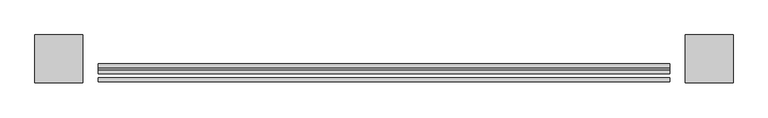
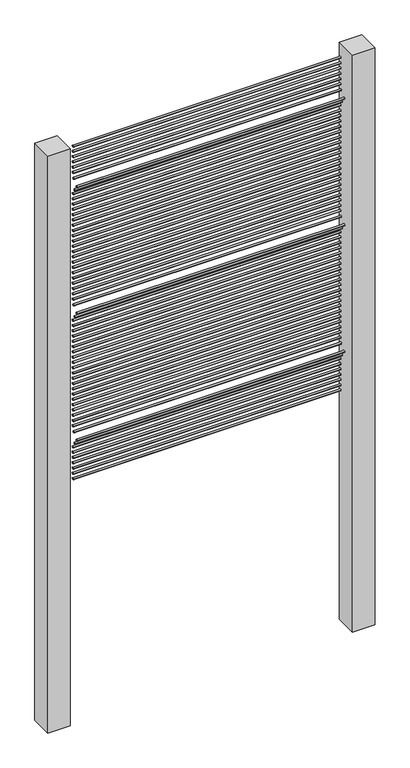
"""IFC4 building model written with IfcOpenShell, lengths in millimetres: railing geometry."""

from ifc_helpers import new_model, si_unit, point, frame, frame_2d, origin, place, context, project, spatial, polyline, circle_curve, trimmed, segment, composite_curve, outline, extrude, source, transform, mapped, element, save


def railing_449c4b00(model_context):
    return source(origin(), model_context, "Body", "SweptSolid", [
        extrude(outline(composite_curve([segment(trimmed(circle_curve(frame_2d((14799.0304142, 28.575)), 3.175), [point((14795.8554142, 28.575))], [point((14802.2054142, 28.575))], False, "CARTESIAN"), True, "CONTINUOUS"), segment(trimmed(circle_curve(frame_2d((14799.0304142, 28.575)), 3.175), [point((14802.2054142, 28.575))], [point((14795.8554142, 28.575))], False, "CARTESIAN"), True, "CONTINUOUS")], self_intersect=False)), frame((-20979.3806958, 0.0, 0.0), z_axis=(1.0, 0.0, 0.0), x_axis=(0.0, 1.0, 0.0)), (0.0, 0.0, 1.0), 914.4),
        extrude(outline(composite_curve([segment(trimmed(circle_curve(frame_2d((14799.0304142, 47.625)), 3.175), [point((14795.8554142, 47.625))], [point((14802.2054142, 47.625))], False, "CARTESIAN"), True, "CONTINUOUS"), segment(trimmed(circle_curve(frame_2d((14799.0304142, 47.625)), 3.175), [point((14802.2054142, 47.625))], [point((14795.8554142, 47.625))], False, "CARTESIAN"), True, "CONTINUOUS")], self_intersect=False)), frame((-20979.3806958, 0.0, 0.0), z_axis=(1.0, 0.0, 0.0), x_axis=(0.0, 1.0, 0.0)), (0.0, 0.0, 1.0), 914.4),
        extrude(outline(composite_curve([segment(trimmed(circle_curve(frame_2d((14799.0304142, 66.675)), 3.175), [point((14795.8554142, 66.675))], [point((14802.2054142, 66.675))], False, "CARTESIAN"), True, "CONTINUOUS"), segment(trimmed(circle_curve(frame_2d((14799.0304142, 66.675)), 3.175), [point((14802.2054142, 66.675))], [point((14795.8554142, 66.675))], False, "CARTESIAN"), True, "CONTINUOUS")], self_intersect=False)), frame((-20979.3806958, 0.0, 0.0), z_axis=(1.0, 0.0, 0.0), x_axis=(0.0, 1.0, 0.0)), (0.0, 0.0, 1.0), 914.4),
        extrude(outline(composite_curve([segment(trimmed(circle_curve(frame_2d((14799.0304142, 85.725)), 3.175), [point((14795.8554142, 85.725))], [point((14802.2054142, 85.725))], False, "CARTESIAN"), True, "CONTINUOUS"), segment(trimmed(circle_curve(frame_2d((14799.0304142, 85.725)), 3.175), [point((14802.2054142, 85.725))], [point((14795.8554142, 85.725))], False, "CARTESIAN"), True, "CONTINUOUS")], self_intersect=False)), frame((-20979.3806958, 0.0, 0.0), z_axis=(1.0, 0.0, 0.0), x_axis=(0.0, 1.0, 0.0)), (0.0, 0.0, 1.0), 914.4),
        extrude(outline(composite_curve([segment(trimmed(circle_curve(frame_2d((14799.0304142, 104.775)), 3.175), [point((14795.8554142, 104.775))], [point((14802.2054142, 104.775))], False, "CARTESIAN"), True, "CONTINUOUS"), segment(trimmed(circle_curve(frame_2d((14799.0304142, 104.775)), 3.175), [point((14802.2054142, 104.775))], [point((14795.8554142, 104.775))], False, "CARTESIAN"), True, "CONTINUOUS")], self_intersect=False)), frame((-20979.3806958, 0.0, 0.0), z_axis=(1.0, 0.0, 0.0), x_axis=(0.0, 1.0, 0.0)), (0.0, 0.0, 1.0), 914.4),
        extrude(outline(composite_curve([segment(trimmed(circle_curve(frame_2d((14799.0304142, 123.825)), 3.175), [point((14795.8554142, 123.825))], [point((14802.2054142, 123.825))], False, "CARTESIAN"), True, "CONTINUOUS"), segment(trimmed(circle_curve(frame_2d((14799.0304142, 123.825)), 3.175), [point((14802.2054142, 123.825))], [point((14795.8554142, 123.825))], False, "CARTESIAN"), True, "CONTINUOUS")], self_intersect=False)), frame((-20979.3806958, 0.0, 0.0), z_axis=(1.0, 0.0, 0.0), x_axis=(0.0, 1.0, 0.0)), (0.0, 0.0, 1.0), 914.4),
        extrude(outline(composite_curve([segment(trimmed(circle_curve(frame_2d((14799.0304142, 142.875)), 3.175), [point((14795.8554142, 142.875))], [point((14802.2054142, 142.875))], False, "CARTESIAN"), True, "CONTINUOUS"), segment(trimmed(circle_curve(frame_2d((14799.0304142, 142.875)), 3.175), [point((14802.2054142, 142.875))], [point((14795.8554142, 142.875))], False, "CARTESIAN"), True, "CONTINUOUS")], self_intersect=False)), frame((-20979.3806958, 0.0, 0.0), z_axis=(1.0, 0.0, 0.0), x_axis=(0.0, 1.0, 0.0)), (0.0, 0.0, 1.0), 914.4),
        extrude(outline(composite_curve([segment(trimmed(circle_curve(frame_2d((14789.3771382, 161.925)), 3.175), [point((14786.2021382, 161.925))], [point((14792.5521382, 161.925))], False, "CARTESIAN"), True, "CONTINUOUS"), segment(trimmed(circle_curve(frame_2d((14789.3771382, 161.925)), 3.175), [point((14792.5521382, 161.925))], [point((14786.2021382, 161.925))], False, "CARTESIAN"), True, "CONTINUOUS")], self_intersect=False)), frame((-20979.3806958, 0.0, 0.0), z_axis=(1.0, 0.0, 0.0), x_axis=(0.0, 1.0, 0.0)), (0.0, 0.0, 1.0), 914.4),
        extrude(outline(composite_curve([segment(trimmed(circle_curve(frame_2d((14776.6771382, 180.975)), 3.175), [point((14773.5021382, 180.975))], [point((14779.8521382, 180.975))], False, "CARTESIAN"), True, "CONTINUOUS"), segment(trimmed(circle_curve(frame_2d((14776.6771382, 180.975)), 3.175), [point((14779.8521382, 180.975))], [point((14773.5021382, 180.975))], False, "CARTESIAN"), True, "CONTINUOUS")], self_intersect=False)), frame((-20979.3806958, 0.0, 0.0), z_axis=(1.0, 0.0, 0.0), x_axis=(0.0, 1.0, 0.0)), (0.0, 0.0, 1.0), 914.4),
        extrude(outline(composite_curve([segment(trimmed(circle_curve(frame_2d((14795.4585392, 200.025)), 3.175), [point((14792.2835392, 200.025))], [point((14798.6335392, 200.025))], False, "CARTESIAN"), True, "CONTINUOUS"), segment(trimmed(circle_curve(frame_2d((14795.4585392, 200.025)), 3.175), [point((14798.6335392, 200.025))], [point((14792.2835392, 200.025))], False, "CARTESIAN"), True, "CONTINUOUS")], self_intersect=False)), frame((-20979.3806958, 0.0, 0.0), z_axis=(1.0, 0.0, 0.0), x_axis=(0.0, 1.0, 0.0)), (0.0, 0.0, 1.0), 914.4),
        extrude(outline(composite_curve([segment(trimmed(circle_curve(frame_2d((14799.0304142, 219.075)), 3.175), [point((14795.8554142, 219.075))], [point((14802.2054142, 219.075))], False, "CARTESIAN"), True, "CONTINUOUS"), segment(trimmed(circle_curve(frame_2d((14799.0304142, 219.075)), 3.175), [point((14802.2054142, 219.075))], [point((14795.8554142, 219.075))], False, "CARTESIAN"), True, "CONTINUOUS")], self_intersect=False)), frame((-20979.3806958, 0.0, 0.0), z_axis=(1.0, 0.0, 0.0), x_axis=(0.0, 1.0, 0.0)), (0.0, 0.0, 1.0), 914.4),
        extrude(outline(composite_curve([segment(trimmed(circle_curve(frame_2d((14799.0304142, 238.125)), 3.175), [point((14795.8554142, 238.125))], [point((14802.2054142, 238.125))], False, "CARTESIAN"), True, "CONTINUOUS"), segment(trimmed(circle_curve(frame_2d((14799.0304142, 238.125)), 3.175), [point((14802.2054142, 238.125))], [point((14795.8554142, 238.125))], False, "CARTESIAN"), True, "CONTINUOUS")], self_intersect=False)), frame((-20979.3806958, 0.0, 0.0), z_axis=(1.0, 0.0, 0.0), x_axis=(0.0, 1.0, 0.0)), (0.0, 0.0, 1.0), 914.4),
        extrude(outline(composite_curve([segment(trimmed(circle_curve(frame_2d((14799.0304142, 257.175)), 3.175), [point((14795.8554142, 257.175))], [point((14802.2054142, 257.175))], False, "CARTESIAN"), True, "CONTINUOUS"), segment(trimmed(circle_curve(frame_2d((14799.0304142, 257.175)), 3.175), [point((14802.2054142, 257.175))], [point((14795.8554142, 257.175))], False, "CARTESIAN"), True, "CONTINUOUS")], self_intersect=False)), frame((-20979.3806958, 0.0, 0.0), z_axis=(1.0, 0.0, 0.0), x_axis=(0.0, 1.0, 0.0)), (0.0, 0.0, 1.0), 914.4),
        extrude(outline(composite_curve([segment(trimmed(circle_curve(frame_2d((14799.0304142, 276.225)), 3.175), [point((14795.8554142, 276.225))], [point((14802.2054142, 276.225))], False, "CARTESIAN"), True, "CONTINUOUS"), segment(trimmed(circle_curve(frame_2d((14799.0304142, 276.225)), 3.175), [point((14802.2054142, 276.225))], [point((14795.8554142, 276.225))], False, "CARTESIAN"), True, "CONTINUOUS")], self_intersect=False)), frame((-20979.3806958, 0.0, 0.0), z_axis=(1.0, 0.0, 0.0), x_axis=(0.0, 1.0, 0.0)), (0.0, 0.0, 1.0), 914.4),
        extrude(outline(composite_curve([segment(trimmed(circle_curve(frame_2d((14799.0304142, 295.275)), 3.175), [point((14795.8554142, 295.275))], [point((14802.2054142, 295.275))], False, "CARTESIAN"), True, "CONTINUOUS"), segment(trimmed(circle_curve(frame_2d((14799.0304142, 295.275)), 3.175), [point((14802.2054142, 295.275))], [point((14795.8554142, 295.275))], False, "CARTESIAN"), True, "CONTINUOUS")], self_intersect=False)), frame((-20979.3806958, 0.0, 0.0), z_axis=(1.0, 0.0, 0.0), x_axis=(0.0, 1.0, 0.0)), (0.0, 0.0, 1.0), 914.4),
        extrude(outline(composite_curve([segment(trimmed(circle_curve(frame_2d((14799.0304142, 314.325)), 3.175), [point((14795.8554142, 314.325))], [point((14802.2054142, 314.325))], False, "CARTESIAN"), True, "CONTINUOUS"), segment(trimmed(circle_curve(frame_2d((14799.0304142, 314.325)), 3.175), [point((14802.2054142, 314.325))], [point((14795.8554142, 314.325))], False, "CARTESIAN"), True, "CONTINUOUS")], self_intersect=False)), frame((-20979.3806958, 0.0, 0.0), z_axis=(1.0, 0.0, 0.0), x_axis=(0.0, 1.0, 0.0)), (0.0, 0.0, 1.0), 914.4),
        extrude(outline(composite_curve([segment(trimmed(circle_curve(frame_2d((14799.0304142, 333.375)), 3.175), [point((14795.8554142, 333.375))], [point((14802.2054142, 333.375))], False, "CARTESIAN"), True, "CONTINUOUS"), segment(trimmed(circle_curve(frame_2d((14799.0304142, 333.375)), 3.175), [point((14802.2054142, 333.375))], [point((14795.8554142, 333.375))], False, "CARTESIAN"), True, "CONTINUOUS")], self_intersect=False)), frame((-20979.3806958, 0.0, 0.0), z_axis=(1.0, 0.0, 0.0), x_axis=(0.0, 1.0, 0.0)), (0.0, 0.0, 1.0), 914.4),
        extrude(outline(composite_curve([segment(trimmed(circle_curve(frame_2d((14799.0304142, 352.425)), 3.175), [point((14795.8554142, 352.425))], [point((14802.2054142, 352.425))], False, "CARTESIAN"), True, "CONTINUOUS"), segment(trimmed(circle_curve(frame_2d((14799.0304142, 352.425)), 3.175), [point((14802.2054142, 352.425))], [point((14795.8554142, 352.425))], False, "CARTESIAN"), True, "CONTINUOUS")], self_intersect=False)), frame((-20979.3806958, 0.0, 0.0), z_axis=(1.0, 0.0, 0.0), x_axis=(0.0, 1.0, 0.0)), (0.0, 0.0, 1.0), 914.4),
        extrude(outline(composite_curve([segment(trimmed(circle_curve(frame_2d((14799.0304142, 371.475)), 3.175), [point((14795.8554142, 371.475))], [point((14802.2054142, 371.475))], False, "CARTESIAN"), True, "CONTINUOUS"), segment(trimmed(circle_curve(frame_2d((14799.0304142, 371.475)), 3.175), [point((14802.2054142, 371.475))], [point((14795.8554142, 371.475))], False, "CARTESIAN"), True, "CONTINUOUS")], self_intersect=False)), frame((-20979.3806958, 0.0, 0.0), z_axis=(1.0, 0.0, 0.0), x_axis=(0.0, 1.0, 0.0)), (0.0, 0.0, 1.0), 914.4),
        extrude(outline(composite_curve([segment(trimmed(circle_curve(frame_2d((14799.0304142, 390.525)), 3.175), [point((14795.8554142, 390.525))], [point((14802.2054142, 390.525))], False, "CARTESIAN"), True, "CONTINUOUS"), segment(trimmed(circle_curve(frame_2d((14799.0304142, 390.525)), 3.175), [point((14802.2054142, 390.525))], [point((14795.8554142, 390.525))], False, "CARTESIAN"), True, "CONTINUOUS")], self_intersect=False)), frame((-20979.3806958, 0.0, 0.0), z_axis=(1.0, 0.0, 0.0), x_axis=(0.0, 1.0, 0.0)), (0.0, 0.0, 1.0), 914.4),
        extrude(outline(composite_curve([segment(trimmed(circle_curve(frame_2d((14799.0304142, 409.575)), 3.175), [point((14795.8554142, 409.575))], [point((14802.2054142, 409.575))], False, "CARTESIAN"), True, "CONTINUOUS"), segment(trimmed(circle_curve(frame_2d((14799.0304142, 409.575)), 3.175), [point((14802.2054142, 409.575))], [point((14795.8554142, 409.575))], False, "CARTESIAN"), True, "CONTINUOUS")], self_intersect=False)), frame((-20979.3806958, 0.0, 0.0), z_axis=(1.0, 0.0, 0.0), x_axis=(0.0, 1.0, 0.0)), (0.0, 0.0, 1.0), 914.4),
        extrude(outline(composite_curve([segment(trimmed(circle_curve(frame_2d((14799.0304142, 428.625)), 3.175), [point((14795.8554142, 428.625))], [point((14802.2054142, 428.625))], False, "CARTESIAN"), True, "CONTINUOUS"), segment(trimmed(circle_curve(frame_2d((14799.0304142, 428.625)), 3.175), [point((14802.2054142, 428.625))], [point((14795.8554142, 428.625))], False, "CARTESIAN"), True, "CONTINUOUS")], self_intersect=False)), frame((-20979.3806958, 0.0, 0.0), z_axis=(1.0, 0.0, 0.0), x_axis=(0.0, 1.0, 0.0)), (0.0, 0.0, 1.0), 914.4),
        extrude(outline(composite_curve([segment(trimmed(circle_curve(frame_2d((14799.0304142, 447.675)), 3.175), [point((14795.8554142, 447.675))], [point((14802.2054142, 447.675))], False, "CARTESIAN"), True, "CONTINUOUS"), segment(trimmed(circle_curve(frame_2d((14799.0304142, 447.675)), 3.175), [point((14802.2054142, 447.675))], [point((14795.8554142, 447.675))], False, "CARTESIAN"), True, "CONTINUOUS")], self_intersect=False)), frame((-20979.3806958, 0.0, 0.0), z_axis=(1.0, 0.0, 0.0), x_axis=(0.0, 1.0, 0.0)), (0.0, 0.0, 1.0), 914.4),
        extrude(outline(composite_curve([segment(trimmed(circle_curve(frame_2d((14799.0304142, 466.725)), 3.175), [point((14795.8554142, 466.725))], [point((14802.2054142, 466.725))], False, "CARTESIAN"), True, "CONTINUOUS"), segment(trimmed(circle_curve(frame_2d((14799.0304142, 466.725)), 3.175), [point((14802.2054142, 466.725))], [point((14795.8554142, 466.725))], False, "CARTESIAN"), True, "CONTINUOUS")], self_intersect=False)), frame((-20979.3806958, 0.0, 0.0), z_axis=(1.0, 0.0, 0.0), x_axis=(0.0, 1.0, 0.0)), (0.0, 0.0, 1.0), 914.4),
        extrude(outline(composite_curve([segment(trimmed(circle_curve(frame_2d((14799.0304142, 485.775)), 3.175), [point((14795.8554142, 485.775))], [point((14802.2054142, 485.775))], False, "CARTESIAN"), True, "CONTINUOUS"), segment(trimmed(circle_curve(frame_2d((14799.0304142, 485.775)), 3.175), [point((14802.2054142, 485.775))], [point((14795.8554142, 485.775))], False, "CARTESIAN"), True, "CONTINUOUS")], self_intersect=False)), frame((-20979.3806958, 0.0, 0.0), z_axis=(1.0, 0.0, 0.0), x_axis=(0.0, 1.0, 0.0)), (0.0, 0.0, 1.0), 914.4),
        extrude(outline(composite_curve([segment(trimmed(circle_curve(frame_2d((14799.0304142, 504.825)), 3.175), [point((14795.8554142, 504.825))], [point((14802.2054142, 504.825))], False, "CARTESIAN"), True, "CONTINUOUS"), segment(trimmed(circle_curve(frame_2d((14799.0304142, 504.825)), 3.175), [point((14802.2054142, 504.825))], [point((14795.8554142, 504.825))], False, "CARTESIAN"), True, "CONTINUOUS")], self_intersect=False)), frame((-20979.3806958, 0.0, 0.0), z_axis=(1.0, 0.0, 0.0), x_axis=(0.0, 1.0, 0.0)), (0.0, 0.0, 1.0), 914.4),
        extrude(outline(composite_curve([segment(trimmed(circle_curve(frame_2d((14799.0304142, 523.875)), 3.175), [point((14795.8554142, 523.875))], [point((14802.2054142, 523.875))], False, "CARTESIAN"), True, "CONTINUOUS"), segment(trimmed(circle_curve(frame_2d((14799.0304142, 523.875)), 3.175), [point((14802.2054142, 523.875))], [point((14795.8554142, 523.875))], False, "CARTESIAN"), True, "CONTINUOUS")], self_intersect=False)), frame((-20979.3806958, 0.0, 0.0), z_axis=(1.0, 0.0, 0.0), x_axis=(0.0, 1.0, 0.0)), (0.0, 0.0, 1.0), 914.4),
        extrude(outline(composite_curve([segment(trimmed(circle_curve(frame_2d((14799.0304142, 542.925)), 3.175), [point((14795.8554142, 542.925))], [point((14802.2054142, 542.925))], False, "CARTESIAN"), True, "CONTINUOUS"), segment(trimmed(circle_curve(frame_2d((14799.0304142, 542.925)), 3.175), [point((14802.2054142, 542.925))], [point((14795.8554142, 542.925))], False, "CARTESIAN"), True, "CONTINUOUS")], self_intersect=False)), frame((-20979.3806958, 0.0, 0.0), z_axis=(1.0, 0.0, 0.0), x_axis=(0.0, 1.0, 0.0)), (0.0, 0.0, 1.0), 914.4),
        extrude(outline(composite_curve([segment(trimmed(circle_curve(frame_2d((14799.0304142, 561.975)), 3.175), [point((14795.8554142, 561.975))], [point((14802.2054142, 561.975))], False, "CARTESIAN"), True, "CONTINUOUS"), segment(trimmed(circle_curve(frame_2d((14799.0304142, 561.975)), 3.175), [point((14802.2054142, 561.975))], [point((14795.8554142, 561.975))], False, "CARTESIAN"), True, "CONTINUOUS")], self_intersect=False)), frame((-20979.3806958, 0.0, 0.0), z_axis=(1.0, 0.0, 0.0), x_axis=(0.0, 1.0, 0.0)), (0.0, 0.0, 1.0), 914.4),
        extrude(outline(composite_curve([segment(trimmed(circle_curve(frame_2d((14799.0304142, 581.025)), 3.175), [point((14795.8554142, 581.025))], [point((14802.2054142, 581.025))], False, "CARTESIAN"), True, "CONTINUOUS"), segment(trimmed(circle_curve(frame_2d((14799.0304142, 581.025)), 3.175), [point((14802.2054142, 581.025))], [point((14795.8554142, 581.025))], False, "CARTESIAN"), True, "CONTINUOUS")], self_intersect=False)), frame((-20979.3806958, 0.0, 0.0), z_axis=(1.0, 0.0, 0.0), x_axis=(0.0, 1.0, 0.0)), (0.0, 0.0, 1.0), 914.4),
        extrude(outline(composite_curve([segment(trimmed(circle_curve(frame_2d((14799.0304142, 600.075)), 3.175), [point((14795.8554142, 600.075))], [point((14802.2054142, 600.075))], False, "CARTESIAN"), True, "CONTINUOUS"), segment(trimmed(circle_curve(frame_2d((14799.0304142, 600.075)), 3.175), [point((14802.2054142, 600.075))], [point((14795.8554142, 600.075))], False, "CARTESIAN"), True, "CONTINUOUS")], self_intersect=False)), frame((-20979.3806958, 0.0, 0.0), z_axis=(1.0, 0.0, 0.0), x_axis=(0.0, 1.0, 0.0)), (0.0, 0.0, 1.0), 914.4),
        extrude(outline(composite_curve([segment(trimmed(circle_curve(frame_2d((14789.5054142, 619.125)), 3.175), [point((14786.3304142, 619.125))], [point((14792.6804142, 619.125))], False, "CARTESIAN"), True, "CONTINUOUS"), segment(trimmed(circle_curve(frame_2d((14789.5054142, 619.125)), 3.175), [point((14792.6804142, 619.125))], [point((14786.3304142, 619.125))], False, "CARTESIAN"), True, "CONTINUOUS")], self_intersect=False)), frame((-20979.3806958, 0.0, 0.0), z_axis=(1.0, 0.0, 0.0), x_axis=(0.0, 1.0, 0.0)), (0.0, 0.0, 1.0), 914.4),
        extrude(outline(composite_curve([segment(trimmed(circle_curve(frame_2d((14776.8054142, 638.175)), 3.175), [point((14773.6304142, 638.175))], [point((14779.9804142, 638.175))], False, "CARTESIAN"), True, "CONTINUOUS"), segment(trimmed(circle_curve(frame_2d((14776.8054142, 638.175)), 3.175), [point((14779.9804142, 638.175))], [point((14773.6304142, 638.175))], False, "CARTESIAN"), True, "CONTINUOUS")], self_intersect=False)), frame((-20979.3806958, 0.0, 0.0), z_axis=(1.0, 0.0, 0.0), x_axis=(0.0, 1.0, 0.0)), (0.0, 0.0, 1.0), 914.4),
        extrude(outline(composite_curve([segment(trimmed(circle_curve(frame_2d((14795.8554142, 657.225)), 3.175), [point((14792.6804142, 657.225))], [point((14799.0304142, 657.225))], False, "CARTESIAN"), True, "CONTINUOUS"), segment(trimmed(circle_curve(frame_2d((14795.8554142, 657.225)), 3.175), [point((14799.0304142, 657.225))], [point((14792.6804142, 657.225))], False, "CARTESIAN"), True, "CONTINUOUS")], self_intersect=False)), frame((-20979.3806958, 0.0, 0.0), z_axis=(1.0, 0.0, 0.0), x_axis=(0.0, 1.0, 0.0)), (0.0, 0.0, 1.0), 914.4),
        extrude(outline(composite_curve([segment(trimmed(circle_curve(frame_2d((14799.0304142, 676.275)), 3.175), [point((14795.8554142, 676.275))], [point((14802.2054142, 676.275))], False, "CARTESIAN"), True, "CONTINUOUS"), segment(trimmed(circle_curve(frame_2d((14799.0304142, 676.275)), 3.175), [point((14802.2054142, 676.275))], [point((14795.8554142, 676.275))], False, "CARTESIAN"), True, "CONTINUOUS")], self_intersect=False)), frame((-20979.3806958, 0.0, 0.0), z_axis=(1.0, 0.0, 0.0), x_axis=(0.0, 1.0, 0.0)), (0.0, 0.0, 1.0), 914.4),
        extrude(outline(composite_curve([segment(trimmed(circle_curve(frame_2d((14799.0304142, 695.325)), 3.175), [point((14795.8554142, 695.325))], [point((14802.2054142, 695.325))], False, "CARTESIAN"), True, "CONTINUOUS"), segment(trimmed(circle_curve(frame_2d((14799.0304142, 695.325)), 3.175), [point((14802.2054142, 695.325))], [point((14795.8554142, 695.325))], False, "CARTESIAN"), True, "CONTINUOUS")], self_intersect=False)), frame((-20979.3806958, 0.0, 0.0), z_axis=(1.0, 0.0, 0.0), x_axis=(0.0, 1.0, 0.0)), (0.0, 0.0, 1.0), 914.4),
        extrude(outline(composite_curve([segment(trimmed(circle_curve(frame_2d((14799.0304142, 714.375)), 3.175), [point((14795.8554142, 714.375))], [point((14802.2054142, 714.375))], False, "CARTESIAN"), True, "CONTINUOUS"), segment(trimmed(circle_curve(frame_2d((14799.0304142, 714.375)), 3.175), [point((14802.2054142, 714.375))], [point((14795.8554142, 714.375))], False, "CARTESIAN"), True, "CONTINUOUS")], self_intersect=False)), frame((-20979.3806958, 0.0, 0.0), z_axis=(1.0, 0.0, 0.0), x_axis=(0.0, 1.0, 0.0)), (0.0, 0.0, 1.0), 914.4),
        extrude(outline(composite_curve([segment(trimmed(circle_curve(frame_2d((14799.0304142, 733.425)), 3.175), [point((14795.8554142, 733.425))], [point((14802.2054142, 733.425))], False, "CARTESIAN"), True, "CONTINUOUS"), segment(trimmed(circle_curve(frame_2d((14799.0304142, 733.425)), 3.175), [point((14802.2054142, 733.425))], [point((14795.8554142, 733.425))], False, "CARTESIAN"), True, "CONTINUOUS")], self_intersect=False)), frame((-20979.3806958, 0.0, 0.0), z_axis=(1.0, 0.0, 0.0), x_axis=(0.0, 1.0, 0.0)), (0.0, 0.0, 1.0), 914.4),
        extrude(outline(composite_curve([segment(trimmed(circle_curve(frame_2d((14799.0304142, 752.475)), 3.175), [point((14795.8554142, 752.475))], [point((14802.2054142, 752.475))], False, "CARTESIAN"), True, "CONTINUOUS"), segment(trimmed(circle_curve(frame_2d((14799.0304142, 752.475)), 3.175), [point((14802.2054142, 752.475))], [point((14795.8554142, 752.475))], False, "CARTESIAN"), True, "CONTINUOUS")], self_intersect=False)), frame((-20979.3806958, 0.0, 0.0), z_axis=(1.0, 0.0, 0.0), x_axis=(0.0, 1.0, 0.0)), (0.0, 0.0, 1.0), 914.4),
        extrude(outline(composite_curve([segment(trimmed(circle_curve(frame_2d((14799.0304142, 771.525)), 3.175), [point((14795.8554142, 771.525))], [point((14802.2054142, 771.525))], False, "CARTESIAN"), True, "CONTINUOUS"), segment(trimmed(circle_curve(frame_2d((14799.0304142, 771.525)), 3.175), [point((14802.2054142, 771.525))], [point((14795.8554142, 771.525))], False, "CARTESIAN"), True, "CONTINUOUS")], self_intersect=False)), frame((-20979.3806958, 0.0, 0.0), z_axis=(1.0, 0.0, 0.0), x_axis=(0.0, 1.0, 0.0)), (0.0, 0.0, 1.0), 914.4),
        extrude(outline(composite_curve([segment(trimmed(circle_curve(frame_2d((14799.0304142, 790.575)), 3.175), [point((14795.8554142, 790.575))], [point((14802.2054142, 790.575))], False, "CARTESIAN"), True, "CONTINUOUS"), segment(trimmed(circle_curve(frame_2d((14799.0304142, 790.575)), 3.175), [point((14802.2054142, 790.575))], [point((14795.8554142, 790.575))], False, "CARTESIAN"), True, "CONTINUOUS")], self_intersect=False)), frame((-20979.3806958, 0.0, 0.0), z_axis=(1.0, 0.0, 0.0), x_axis=(0.0, 1.0, 0.0)), (0.0, 0.0, 1.0), 914.4),
        extrude(outline(composite_curve([segment(trimmed(circle_curve(frame_2d((14799.0304142, 809.625)), 3.175), [point((14795.8554142, 809.625))], [point((14802.2054142, 809.625))], False, "CARTESIAN"), True, "CONTINUOUS"), segment(trimmed(circle_curve(frame_2d((14799.0304142, 809.625)), 3.175), [point((14802.2054142, 809.625))], [point((14795.8554142, 809.625))], False, "CARTESIAN"), True, "CONTINUOUS")], self_intersect=False)), frame((-20979.3806958, 0.0, 0.0), z_axis=(1.0, 0.0, 0.0), x_axis=(0.0, 1.0, 0.0)), (0.0, 0.0, 1.0), 914.4),
        extrude(outline(composite_curve([segment(trimmed(circle_curve(frame_2d((14799.0304142, 828.675)), 3.175), [point((14795.8554142, 828.675))], [point((14802.2054142, 828.675))], False, "CARTESIAN"), True, "CONTINUOUS"), segment(trimmed(circle_curve(frame_2d((14799.0304142, 828.675)), 3.175), [point((14802.2054142, 828.675))], [point((14795.8554142, 828.675))], False, "CARTESIAN"), True, "CONTINUOUS")], self_intersect=False)), frame((-20979.3806958, 0.0, 0.0), z_axis=(1.0, 0.0, 0.0), x_axis=(0.0, 1.0, 0.0)), (0.0, 0.0, 1.0), 914.4),
        extrude(outline(composite_curve([segment(trimmed(circle_curve(frame_2d((14799.0304142, 847.725)), 3.175), [point((14795.8554142, 847.725))], [point((14802.2054142, 847.725))], False, "CARTESIAN"), True, "CONTINUOUS"), segment(trimmed(circle_curve(frame_2d((14799.0304142, 847.725)), 3.175), [point((14802.2054142, 847.725))], [point((14795.8554142, 847.725))], False, "CARTESIAN"), True, "CONTINUOUS")], self_intersect=False)), frame((-20979.3806958, 0.0, 0.0), z_axis=(1.0, 0.0, 0.0), x_axis=(0.0, 1.0, 0.0)), (0.0, 0.0, 1.0), 914.4),
        extrude(outline(composite_curve([segment(trimmed(circle_curve(frame_2d((14799.0304142, 866.775)), 3.175), [point((14795.8554142, 866.775))], [point((14802.2054142, 866.775))], False, "CARTESIAN"), True, "CONTINUOUS"), segment(trimmed(circle_curve(frame_2d((14799.0304142, 866.775)), 3.175), [point((14802.2054142, 866.775))], [point((14795.8554142, 866.775))], False, "CARTESIAN"), True, "CONTINUOUS")], self_intersect=False)), frame((-20979.3806958, 0.0, 0.0), z_axis=(1.0, 0.0, 0.0), x_axis=(0.0, 1.0, 0.0)), (0.0, 0.0, 1.0), 914.4),
        extrude(outline(composite_curve([segment(trimmed(circle_curve(frame_2d((14799.0304142, 885.825)), 3.175), [point((14795.8554142, 885.825))], [point((14802.2054142, 885.825))], False, "CARTESIAN"), True, "CONTINUOUS"), segment(trimmed(circle_curve(frame_2d((14799.0304142, 885.825)), 3.175), [point((14802.2054142, 885.825))], [point((14795.8554142, 885.825))], False, "CARTESIAN"), True, "CONTINUOUS")], self_intersect=False)), frame((-20979.3806958, 0.0, 0.0), z_axis=(1.0, 0.0, 0.0), x_axis=(0.0, 1.0, 0.0)), (0.0, 0.0, 1.0), 914.4),
        extrude(outline(composite_curve([segment(trimmed(circle_curve(frame_2d((14799.0304142, 904.875)), 3.175), [point((14795.8554142, 904.875))], [point((14802.2054142, 904.875))], False, "CARTESIAN"), True, "CONTINUOUS"), segment(trimmed(circle_curve(frame_2d((14799.0304142, 904.875)), 3.175), [point((14802.2054142, 904.875))], [point((14795.8554142, 904.875))], False, "CARTESIAN"), True, "CONTINUOUS")], self_intersect=False)), frame((-20979.3806958, 0.0, 0.0), z_axis=(1.0, 0.0, 0.0), x_axis=(0.0, 1.0, 0.0)), (0.0, 0.0, 1.0), 914.4),
        extrude(outline(composite_curve([segment(trimmed(circle_curve(frame_2d((14799.0304142, 923.925)), 3.175), [point((14795.8554142, 923.925))], [point((14802.2054142, 923.925))], False, "CARTESIAN"), True, "CONTINUOUS"), segment(trimmed(circle_curve(frame_2d((14799.0304142, 923.925)), 3.175), [point((14802.2054142, 923.925))], [point((14795.8554142, 923.925))], False, "CARTESIAN"), True, "CONTINUOUS")], self_intersect=False)), frame((-20979.3806958, 0.0, 0.0), z_axis=(1.0, 0.0, 0.0), x_axis=(0.0, 1.0, 0.0)), (0.0, 0.0, 1.0), 914.4),
        extrude(outline(composite_curve([segment(trimmed(circle_curve(frame_2d((14799.0304142, 942.975)), 3.175), [point((14795.8554142, 942.975))], [point((14802.2054142, 942.975))], False, "CARTESIAN"), True, "CONTINUOUS"), segment(trimmed(circle_curve(frame_2d((14799.0304142, 942.975)), 3.175), [point((14802.2054142, 942.975))], [point((14795.8554142, 942.975))], False, "CARTESIAN"), True, "CONTINUOUS")], self_intersect=False)), frame((-20979.3806958, 0.0, 0.0), z_axis=(1.0, 0.0, 0.0), x_axis=(0.0, 1.0, 0.0)), (0.0, 0.0, 1.0), 914.4),
        extrude(outline(composite_curve([segment(trimmed(circle_curve(frame_2d((14799.0304142, 962.025)), 3.175), [point((14795.8554142, 962.025))], [point((14802.2054142, 962.025))], False, "CARTESIAN"), True, "CONTINUOUS"), segment(trimmed(circle_curve(frame_2d((14799.0304142, 962.025)), 3.175), [point((14802.2054142, 962.025))], [point((14795.8554142, 962.025))], False, "CARTESIAN"), True, "CONTINUOUS")], self_intersect=False)), frame((-20979.3806958, 0.0, 0.0), z_axis=(1.0, 0.0, 0.0), x_axis=(0.0, 1.0, 0.0)), (0.0, 0.0, 1.0), 914.4),
        extrude(outline(composite_curve([segment(trimmed(circle_curve(frame_2d((14799.0304142, 981.075)), 3.175), [point((14795.8554142, 981.075))], [point((14802.2054142, 981.075))], False, "CARTESIAN"), True, "CONTINUOUS"), segment(trimmed(circle_curve(frame_2d((14799.0304142, 981.075)), 3.175), [point((14802.2054142, 981.075))], [point((14795.8554142, 981.075))], False, "CARTESIAN"), True, "CONTINUOUS")], self_intersect=False)), frame((-20979.3806958, 0.0, 0.0), z_axis=(1.0, 0.0, 0.0), x_axis=(0.0, 1.0, 0.0)), (0.0, 0.0, 1.0), 914.4),
        extrude(outline(composite_curve([segment(trimmed(circle_curve(frame_2d((14799.0304142, 1000.125)), 3.175), [point((14795.8554142, 1000.125))], [point((14802.2054142, 1000.125))], False, "CARTESIAN"), True, "CONTINUOUS"), segment(trimmed(circle_curve(frame_2d((14799.0304142, 1000.125)), 3.175), [point((14802.2054142, 1000.125))], [point((14795.8554142, 1000.125))], False, "CARTESIAN"), True, "CONTINUOUS")], self_intersect=False)), frame((-20979.3806958, 0.0, 0.0), z_axis=(1.0, 0.0, 0.0), x_axis=(0.0, 1.0, 0.0)), (0.0, 0.0, 1.0), 914.4),
        extrude(outline(composite_curve([segment(trimmed(circle_curve(frame_2d((14799.0304142, 1019.175)), 3.175), [point((14795.8554142, 1019.175))], [point((14802.2054142, 1019.175))], False, "CARTESIAN"), True, "CONTINUOUS"), segment(trimmed(circle_curve(frame_2d((14799.0304142, 1019.175)), 3.175), [point((14802.2054142, 1019.175))], [point((14795.8554142, 1019.175))], False, "CARTESIAN"), True, "CONTINUOUS")], self_intersect=False)), frame((-20979.3806958, 0.0, 0.0), z_axis=(1.0, 0.0, 0.0), x_axis=(0.0, 1.0, 0.0)), (0.0, 0.0, 1.0), 914.4),
        extrude(outline(composite_curve([segment(trimmed(circle_curve(frame_2d((14799.0304142, 1038.225)), 3.175), [point((14795.8554142, 1038.225))], [point((14802.2054142, 1038.225))], False, "CARTESIAN"), True, "CONTINUOUS"), segment(trimmed(circle_curve(frame_2d((14799.0304142, 1038.225)), 3.175), [point((14802.2054142, 1038.225))], [point((14795.8554142, 1038.225))], False, "CARTESIAN"), True, "CONTINUOUS")], self_intersect=False)), frame((-20979.3806958, 0.0, 0.0), z_axis=(1.0, 0.0, 0.0), x_axis=(0.0, 1.0, 0.0)), (0.0, 0.0, 1.0), 914.4),
        extrude(outline(composite_curve([segment(trimmed(circle_curve(frame_2d((14799.0304142, 1057.275)), 3.175), [point((14795.8554142, 1057.275))], [point((14802.2054142, 1057.275))], False, "CARTESIAN"), True, "CONTINUOUS"), segment(trimmed(circle_curve(frame_2d((14799.0304142, 1057.275)), 3.175), [point((14802.2054142, 1057.275))], [point((14795.8554142, 1057.275))], False, "CARTESIAN"), True, "CONTINUOUS")], self_intersect=False)), frame((-20979.3806958, 0.0, 0.0), z_axis=(1.0, 0.0, 0.0), x_axis=(0.0, 1.0, 0.0)), (0.0, 0.0, 1.0), 914.4),
        extrude(outline(composite_curve([segment(trimmed(circle_curve(frame_2d((14789.5054142, 1076.325)), 3.175), [point((14786.3304142, 1076.325))], [point((14792.6804142, 1076.325))], False, "CARTESIAN"), True, "CONTINUOUS"), segment(trimmed(circle_curve(frame_2d((14789.5054142, 1076.325)), 3.175), [point((14792.6804142, 1076.325))], [point((14786.3304142, 1076.325))], False, "CARTESIAN"), True, "CONTINUOUS")], self_intersect=False)), frame((-20979.3806958, 0.0, 0.0), z_axis=(1.0, 0.0, 0.0), x_axis=(0.0, 1.0, 0.0)), (0.0, 0.0, 1.0), 914.4),
        extrude(outline(composite_curve([segment(trimmed(circle_curve(frame_2d((14776.8054142, 1095.375)), 3.175), [point((14773.6304142, 1095.375))], [point((14779.9804142, 1095.375))], False, "CARTESIAN"), True, "CONTINUOUS"), segment(trimmed(circle_curve(frame_2d((14776.8054142, 1095.375)), 3.175), [point((14779.9804142, 1095.375))], [point((14773.6304142, 1095.375))], False, "CARTESIAN"), True, "CONTINUOUS")], self_intersect=False)), frame((-20979.3806958, 0.0, 0.0), z_axis=(1.0, 0.0, 0.0), x_axis=(0.0, 1.0, 0.0)), (0.0, 0.0, 1.0), 914.4),
        extrude(outline(composite_curve([segment(trimmed(circle_curve(frame_2d((14795.8554142, 1114.425)), 3.175), [point((14792.6804142, 1114.425))], [point((14799.0304142, 1114.425))], False, "CARTESIAN"), True, "CONTINUOUS"), segment(trimmed(circle_curve(frame_2d((14795.8554142, 1114.425)), 3.175), [point((14799.0304142, 1114.425))], [point((14792.6804142, 1114.425))], False, "CARTESIAN"), True, "CONTINUOUS")], self_intersect=False)), frame((-20979.3806958, 0.0, 0.0), z_axis=(1.0, 0.0, 0.0), x_axis=(0.0, 1.0, 0.0)), (0.0, 0.0, 1.0), 914.4),
        extrude(outline(composite_curve([segment(trimmed(circle_curve(frame_2d((14799.0304142, 1133.475)), 3.175), [point((14795.8554142, 1133.475))], [point((14802.2054142, 1133.475))], False, "CARTESIAN"), True, "CONTINUOUS"), segment(trimmed(circle_curve(frame_2d((14799.0304142, 1133.475)), 3.175), [point((14802.2054142, 1133.475))], [point((14795.8554142, 1133.475))], False, "CARTESIAN"), True, "CONTINUOUS")], self_intersect=False)), frame((-20979.3806958, 0.0, 0.0), z_axis=(1.0, 0.0, 0.0), x_axis=(0.0, 1.0, 0.0)), (0.0, 0.0, 1.0), 914.4),
        extrude(outline(composite_curve([segment(trimmed(circle_curve(frame_2d((14799.0304142, 1152.525)), 3.175), [point((14795.8554142, 1152.525))], [point((14802.2054142, 1152.525))], False, "CARTESIAN"), True, "CONTINUOUS"), segment(trimmed(circle_curve(frame_2d((14799.0304142, 1152.525)), 3.175), [point((14802.2054142, 1152.525))], [point((14795.8554142, 1152.525))], False, "CARTESIAN"), True, "CONTINUOUS")], self_intersect=False)), frame((-20979.3806958, 0.0, 0.0), z_axis=(1.0, 0.0, 0.0), x_axis=(0.0, 1.0, 0.0)), (0.0, 0.0, 1.0), 914.4),
        extrude(outline(composite_curve([segment(trimmed(circle_curve(frame_2d((14799.0304142, 1171.575)), 3.175), [point((14795.8554142, 1171.575))], [point((14802.2054142, 1171.575))], False, "CARTESIAN"), True, "CONTINUOUS"), segment(trimmed(circle_curve(frame_2d((14799.0304142, 1171.575)), 3.175), [point((14802.2054142, 1171.575))], [point((14795.8554142, 1171.575))], False, "CARTESIAN"), True, "CONTINUOUS")], self_intersect=False)), frame((-20979.3806958, 0.0, 0.0), z_axis=(1.0, 0.0, 0.0), x_axis=(0.0, 1.0, 0.0)), (0.0, 0.0, 1.0), 914.4),
        extrude(outline(composite_curve([segment(trimmed(circle_curve(frame_2d((14799.0304142, 1190.625)), 3.175), [point((14795.8554142, 1190.625))], [point((14802.2054142, 1190.625))], False, "CARTESIAN"), True, "CONTINUOUS"), segment(trimmed(circle_curve(frame_2d((14799.0304142, 1190.625)), 3.175), [point((14802.2054142, 1190.625))], [point((14795.8554142, 1190.625))], False, "CARTESIAN"), True, "CONTINUOUS")], self_intersect=False)), frame((-20979.3806958, 0.0, 0.0), z_axis=(1.0, 0.0, 0.0), x_axis=(0.0, 1.0, 0.0)), (0.0, 0.0, 1.0), 914.4),
        extrude(outline(composite_curve([segment(trimmed(circle_curve(frame_2d((14799.0304142, 1209.675)), 3.175), [point((14795.8554142, 1209.675))], [point((14802.2054142, 1209.675))], False, "CARTESIAN"), True, "CONTINUOUS"), segment(trimmed(circle_curve(frame_2d((14799.0304142, 1209.675)), 3.175), [point((14802.2054142, 1209.675))], [point((14795.8554142, 1209.675))], False, "CARTESIAN"), True, "CONTINUOUS")], self_intersect=False)), frame((-20979.3806958, 0.0, 0.0), z_axis=(1.0, 0.0, 0.0), x_axis=(0.0, 1.0, 0.0)), (0.0, 0.0, 1.0), 914.4),
        extrude(outline(composite_curve([segment(trimmed(circle_curve(frame_2d((14799.0304142, 1228.725)), 3.175), [point((14795.8554142, 1228.725))], [point((14802.2054142, 1228.725))], False, "CARTESIAN"), True, "CONTINUOUS"), segment(trimmed(circle_curve(frame_2d((14799.0304142, 1228.725)), 3.175), [point((14802.2054142, 1228.725))], [point((14795.8554142, 1228.725))], False, "CARTESIAN"), True, "CONTINUOUS")], self_intersect=False)), frame((-20979.3806958, 0.0, 0.0), z_axis=(1.0, 0.0, 0.0), x_axis=(0.0, 1.0, 0.0)), (0.0, 0.0, 1.0), 914.4),
        extrude(outline(polyline([(-19963.3806958, 14848.2429142), (-19963.3806958, 14772.0429142), (-20039.5806958, 14772.0429142), (-20039.5806958, 14848.2429142), (-19963.3806958, 14848.2429142)])), frame((0.0, 0.0, -838.2), z_axis=(0.0, 0.0, 1.0), x_axis=(1.0, 0.0, 0.0)), (0.0, 0.0, 1.0), 2082.8),
        extrude(outline(polyline([(-21004.7806958, 14848.2429142), (-21004.7806958, 14772.0429142), (-21080.9806958, 14772.0429142), (-21080.9806958, 14848.2429142), (-21004.7806958, 14848.2429142)])), frame((0.0, 0.0, -838.2), z_axis=(0.0, 0.0, 1.0), x_axis=(1.0, 0.0, 0.0)), (0.0, 0.0, 1.0), 2082.8),
    ])


if __name__ == "__main__":
    model = new_model("IFC4")
    model_context = context("Model", 3, world=origin())
    ifc_project = project(units=[si_unit("LENGTHUNIT", "METRE", prefix="MILLI")], contexts=[model_context])
    site = spatial("IfcSite", under=ifc_project)
    building = spatial("IfcBuilding", under=site)
    placement = place(None, origin())
    railing_shape = railing_449c4b00(model_context)
    element("IfcRailing", 1, at=placement, inside=building, context=model_context, shape_type="MappedRepresentation", body=[
        mapped(railing_shape, transform((0.0, 0.0, 0.0), x_axis=(1.0, 0.0, 0.0), y_axis=(0.0, 1.0, 0.0), z_axis=(0.0, 0.0, 1.0))),
    ])
    save(model, "model.ifc")
